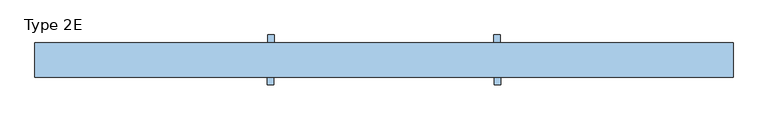
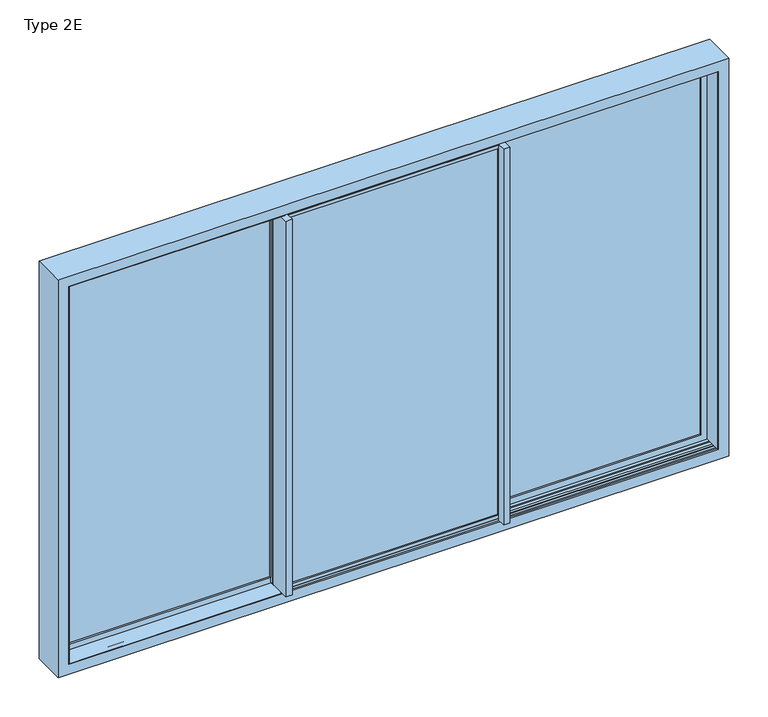
"""IFC4 building model written with IfcOpenShell, lengths in millimetres: window geometry, Type 2E."""

from ifc_helpers import new_model, si_unit, frame, origin, origin_with_axes, place, context, project, spatial, polyline, outline, extrude, faceted_brep, source, transform, mapped, element, save


def type_2e_e87685bd(model_context):
    return source(origin(), model_context, "Body", "SolidModel", [
        extrude(outline(polyline([(2120.2000011, -583.279797), (12.7999989, -583.279797), (12.7999989, 583.279797), (2120.2000011, 583.279797), (2120.2000011, -583.279797)]), holes=[polyline([(2101.4202041, 564.5), (31.5797959, 564.5), (31.5797959, -564.5), (2101.4202041, -564.5), (2101.4202041, 564.5)])]), frame((0.0, -17.0, 0.0), z_axis=(0.0, 1.0, 0.0), x_axis=(0.0, 0.0, 1.0)), (0.0, 0.0, 1.0), 7.7200134),
        faceted_brep([(595.5, -17.0, -15.1996996), (595.5, -14.5, -15.1996996), (595.5, -14.5, 2.7998487), (595.5, 47.5000001, 2.7998487), (595.5, 47.5000001, -15.1996996), (595.5, 50.0, -15.1996996), (595.5, 50.0, 5.8356019), (595.5, 69.4999931, 5.8356019), (595.5, 69.4999931, 2127.2000011), (595.5, 50.0, 2127.2000011), (595.5, 50.0, 2148.1996996), (595.5, 47.5000001, 2148.1996996), (595.5, 47.5000001, 2130.2001513), (595.5, -14.5, 2130.2001513), (595.5, -14.5, 2148.1996996), (595.5, -17.0, 2148.1996996), (-595.5, -17.0, -15.1996996), (-595.5, -14.5, -15.1996996), (-595.5, -14.5, 2.7998487), (-595.5, 47.5000001, 2.7998487), (-595.5, 47.5000001, -15.1996996), (-595.5, 50.0, -15.1996996), (-595.5, 50.0, 2148.1996996), (580.0, 50.0, 2127.2000011), (580.0, 50.0, 5.8356019), (-580.0, 50.0, 5.8356019), (-562.2, 50.0, 5.8356019), (-562.2, 50.0, 31.5797959), (562.2, 50.0, 31.5797959), (562.2, 50.0, 2101.4202041), (-562.2, 50.0, 2101.4202041), (-562.2, 50.0, 2127.2000011), (-580.0, 50.0, 2127.2000011), (580.0, 69.4999931, 5.8356019), (580.0, 69.4999931, 2127.2000011), (-595.5, -17.0, 2148.1996996), (583.279797, -17.0, 12.7999989), (-583.279797, -17.0, 12.7999989), (-583.279797, -17.0, 2120.2000011), (583.279797, -17.0, 2120.2000011), (-595.5, -14.5, 2148.1996996), (-595.5, -14.5, 2130.2001513), (-595.5, 47.5000001, 2130.2001513), (-595.5, 47.5000001, 2148.1996996), (-580.0, 69.4999931, 5.8356019), (-562.2, 69.4999931, 5.8356019), (-580.0, 69.4999931, 2127.2000011), (-562.2, 69.4999931, 2127.2000011), (-562.2, 40.0, 2101.4202041), (-562.2, 40.0, 31.5797959), (562.2, 40.0, 31.5797959), (562.2, 40.0, 2101.4202041), (583.279797, 40.0, 12.7999989), (583.279797, 40.0, 2120.2000011), (-583.279797, 40.0, 2120.2000011), (-583.279797, 40.0, 12.7999989)], [[[0, 1, 2, 3, 4, 5, 6, 7, 8, 9, 10, 11, 12, 13, 14, 15]], [[1, 0, 16, 17]], [[2, 1, 17, 18]], [[3, 2, 18, 19]], [[4, 3, 19, 20]], [[5, 4, 20, 21]], [[5, 21, 22, 10, 9, 23, 24, 6], [25, 26, 27, 28, 29, 30, 31, 32]], [[24, 33, 7, 6]], [[34, 8, 7, 33]], [[35, 16, 0, 15], [36, 37, 38, 39]], [[21, 20, 19, 18, 17, 16, 35, 40, 41, 42, 43, 22]], [[25, 44, 45, 26]], [[46, 47, 45, 44]], [[25, 32, 46, 44]], [[23, 34, 33, 24]], [[45, 47, 31, 30, 48, 49, 27, 26]], [[50, 28, 27, 49]], [[28, 50, 51, 29]], [[52, 53, 54, 55], [51, 50, 49, 48]], [[52, 36, 39, 53]], [[55, 54, 38, 37]], [[36, 52, 55, 37]], [[8, 34, 23, 9]], [[29, 51, 48, 30]], [[54, 53, 39, 38]], [[15, 14, 40, 35]], [[14, 13, 41, 40]], [[13, 12, 42, 41]], [[12, 11, 43, 42]], [[11, 10, 22, 43]], [[47, 46, 32, 31]]]),
        extrude(outline(polyline([(-583.279797, 40.0), (583.279797, 40.0), (583.279797, -9.2799866), (-583.279797, -9.2799866), (-583.279797, 40.0)])), frame((0.0, 0.0, 12.7999989), z_axis=(0.0, 0.0, 1.0), x_axis=(1.0, 0.0, 0.0)), (0.0, 0.0, 1.0), 2107.4000022),
        extrude(outline(polyline([(564.5, -17.0), (595.5, -17.0), (595.5, 69.4999931), (598.5, 69.4999931), (598.5, -66.0000069), (564.5, -66.0000069), (564.5, -17.0)])), frame((0.0, 0.0, 5.8356019), z_axis=(0.0, 0.0, 1.0), x_axis=(1.0, 0.0, 0.0)), (0.0, 0.0, 1.0), 2121.3643992),
        extrude(outline(polyline([(-564.5, -17.0), (-564.5, -66.0000069), (-598.5, -66.0000069), (-598.5, 49.9999931), (-595.5, 49.9999931), (-595.5, -17.0), (-564.5, -17.0)])), frame((0.0, 0.0, 5.8356019), z_axis=(0.0, 0.0, 1.0), x_axis=(1.0, 0.0, 0.0)), (0.0, 0.0, 1.0), 2121.3643992),
        extrude(outline(polyline([(2120.2000011, 576.720203), (12.7999989, 576.720203), (12.7999989, 1717.5000011), (2120.2000011, 1717.5000011), (2120.2000011, 576.720203)]), holes=[polyline([(2101.4202041, 1698.7202041), (31.5797959, 1698.7202041), (31.5797959, 595.5), (2101.4202041, 595.5), (2101.4202041, 1698.7202041)])]), frame((0.0, 132.2799866, 0.0), z_axis=(0.0, 1.0, 0.0), x_axis=(0.0, 0.0, 1.0)), (0.0, 0.0, 1.0), 7.7200134),
        faceted_brep([(1698.7202041, 73.0, 31.5797959), (1698.7202041, 83.0, 31.5797959), (597.8, 83.0, 31.5797959), (597.8, 73.0, 31.5797959), (1717.5000011, 83.0, 12.7999989), (1717.5000011, 140.0, 12.7999989), (576.720203, 140.0, 12.7999989), (576.720203, 83.0, 12.7999989), (564.5, 137.5, -15.1996996), (564.5, 140.0, -15.1996996), (1751.599999, 140.0, -15.1996996), (1751.599999, 73.0, -15.1996996), (564.5, 73.0, -15.1996996), (564.5, 75.4999999, -15.1996996), (1745.4996996, 75.4999999, -15.1996996), (1745.4996996, 137.5, -15.1996996), (564.5, 137.5, 2.7998487), (564.5, 75.4999999, 2.7998487), (564.5, 73.0, 5.8356019), (564.5, 73.0, 2127.2000011), (564.5, 73.0, 2148.1996996), (564.5, 75.4999999, 2148.1996996), (564.5, 75.4999999, 2130.2001513), (564.5, 137.5, 2130.2001513), (564.5, 137.5, 2148.1996996), (564.5, 140.0, 2148.1996996), (1751.599999, 140.0, 2148.1996996), (1717.5000011, 140.0, 2120.2000011), (576.720203, 140.0, 2120.2000011), (1751.599999, 73.0, 2148.1996996), (580.0, 73.0, 2127.2000011), (580.0, 73.0, 5.8356019), (1698.7202041, 73.0, 2101.4202041), (597.8, 73.0, 2101.4202041), (1717.5000011, 83.0, 2120.2000011), (576.720203, 83.0, 2120.2000011), (1698.7202041, 83.0, 2101.4202041), (597.8, 83.0, 2101.4202041), (1745.4996996, 137.5, 2148.1996996), (1727.5001513, 137.5, 2130.2001513), (1727.5001513, 137.5, 2.7998487), (1727.5001513, 75.4999999, 2.7998487), (1727.5001513, 75.4999999, 2130.2001513), (1745.4996996, 75.4999999, 2148.1996996), (580.0, 53.5, 5.8356019), (561.5, 53.5, 5.8356019), (561.5, 73.0, 5.8356019), (561.5, 73.0, 2127.2000011), (561.5, 53.5, 2127.2000011), (580.0, 53.5, 2127.2000011)], [[[0, 1, 2, 3]], [[4, 5, 6, 7]], [[8, 9, 10, 11, 12, 13, 14, 15]], [[9, 8, 16, 17, 13, 12, 18, 19, 20, 21, 22, 23, 24, 25]], [[26, 10, 9, 25], [5, 27, 28, 6]], [[11, 29, 20, 19, 30, 31, 18, 12], [32, 0, 3, 33]], [[34, 4, 7, 35], [1, 36, 37, 2]], [[16, 8, 15, 38, 24, 23, 39, 40]], [[17, 16, 40, 41]], [[13, 17, 41, 42, 22, 21, 43, 14]], [[0, 32, 36, 1]], [[2, 37, 33, 3]], [[11, 10, 26, 29]], [[4, 34, 27, 5]], [[6, 28, 35, 7]], [[15, 14, 43, 38]], [[40, 39, 42, 41]], [[21, 20, 29, 26, 25, 24, 38, 43]], [[23, 22, 42, 39]], [[36, 32, 33, 37]], [[27, 34, 35, 28]], [[31, 44, 45, 46, 18]], [[47, 48, 49, 30, 19]], [[46, 47, 19, 18]], [[30, 49, 44, 31]], [[49, 48, 45, 44]], [[48, 47, 46, 45]]]),
        extrude(outline(polyline([(1717.5000011, 83.0), (576.720203, 83.0), (576.720203, 132.2799866), (1717.5000011, 132.2799866), (1717.5000011, 83.0)])), frame((0.0, 0.0, 12.7999989), z_axis=(0.0, 0.0, 1.0), x_axis=(1.0, 0.0, 0.0)), (0.0, 0.0, 1.0), 2107.4000022),
        extrude(outline(polyline([(595.5, 140.0), (564.5, 140.0), (564.5, 73.0000069), (561.5, 73.0000069), (561.5, 189.0000069), (595.5, 189.0000069), (595.5, 140.0)])), frame((0.0, 0.0, 5.8356019), z_axis=(0.0, 0.0, 1.0), x_axis=(1.0, 0.0, 0.0)), (0.0, 0.0, 1.0), 2121.3643992),
        extrude(outline(polyline([(2120.2000011, -576.720203), (2120.2000011, -1717.5000011), (12.7999989, -1717.5000011), (12.7999989, -576.720203), (2120.2000011, -576.720203)]), holes=[polyline([(2101.4202041, -1698.7202041), (2101.4202041, -595.5), (31.5797959, -595.5), (31.5797959, -1698.7202041), (2101.4202041, -1698.7202041)])]), frame((0.0, 132.2799866, 0.0), z_axis=(0.0, 1.0, 0.0), x_axis=(0.0, 0.0, 1.0)), (0.0, 0.0, 1.0), 7.7200134),
        faceted_brep([(-1698.7202041, 73.0, 31.5797959), (-597.8, 73.0, 31.5797959), (-597.8, 83.0, 31.5797959), (-1698.7202041, 83.0, 31.5797959), (-1717.5000011, 83.0, 12.7999989), (-576.720203, 83.0, 12.7999989), (-576.720203, 140.0, 12.7999989), (-1717.5000011, 140.0, 12.7999989), (-564.5, 137.5, -15.1996996), (-1745.4996996, 137.5, -15.1996996), (-1745.4996996, 75.4999999, -15.1996996), (-564.5, 75.4999999, -15.1996996), (-564.5, 73.0, -15.1996996), (-1751.599999, 73.0, -15.1996996), (-1751.599999, 140.0, -15.1996996), (-564.5, 140.0, -15.1996996), (-564.5, 140.0, 2148.1996996), (-564.5, 137.5, 2148.1996996), (-564.5, 137.5, 2130.2001513), (-564.5, 75.4999999, 2130.2001513), (-564.5, 75.4999999, 2148.1996996), (-564.5, 73.0, 2148.1996996), (-564.5, 75.4999999, 2.7998487), (-564.5, 137.5, 2.7998487), (-1751.599999, 140.0, 2148.1996996), (-576.720203, 140.0, 2120.2000011), (-1717.5000011, 140.0, 2120.2000011), (-1751.599999, 73.0, 2148.1996996), (-1698.7202041, 73.0, 2101.4202041), (-597.8, 73.0, 2101.4202041), (-580.0, 73.0, 2127.2000011), (-580.0, 73.0, 5.8356019), (-597.5, 73.0, 5.8356019), (-597.5, 73.0, 2127.2000011), (-1717.5000011, 83.0, 2120.2000011), (-576.720203, 83.0, 2120.2000011), (-597.8, 83.0, 2101.4202041), (-1698.7202041, 83.0, 2101.4202041), (-1727.5001513, 137.5, 2.7998487), (-1727.5001513, 137.5, 2130.2001513), (-1745.4996996, 137.5, 2148.1996996), (-1727.5001513, 75.4999999, 2.7998487), (-1745.4996996, 75.4999999, 2148.1996996), (-1727.5001513, 75.4999999, 2130.2001513), (-580.0, 53.5, 5.8356019), (-597.5, 53.5, 5.8356019), (-597.5, 53.5, 2127.2000011), (-580.0, 53.5, 2127.2000011)], [[[0, 1, 2, 3]], [[4, 5, 6, 7]], [[8, 9, 10, 11, 12, 13, 14, 15]], [[15, 16, 17, 18, 19, 20, 21, 12, 11, 22, 23, 8]], [[24, 16, 15, 14], [7, 6, 25, 26]], [[13, 12, 21, 27], [28, 29, 1, 0], [30, 31, 32, 33]], [[34, 35, 5, 4], [3, 2, 36, 37]], [[23, 38, 39, 18, 17, 40, 9, 8]], [[22, 41, 38, 23]], [[11, 10, 42, 20, 19, 43, 41, 22]], [[0, 3, 37, 28]], [[2, 1, 29, 36]], [[13, 27, 24, 14]], [[4, 7, 26, 34]], [[6, 5, 35, 25]], [[9, 40, 42, 10]], [[38, 41, 43, 39]], [[20, 42, 40, 17, 16, 24, 27, 21]], [[18, 39, 43, 19]], [[37, 36, 29, 28]], [[26, 25, 35, 34]], [[32, 31, 44, 45]], [[30, 33, 46, 47]], [[33, 32, 45, 46]], [[46, 45, 44, 47]], [[47, 44, 31, 30]]]),
        extrude(outline(polyline([(-1717.5000011, 83.0), (-1717.5000011, 132.2799866), (-576.720203, 132.2799866), (-576.720203, 83.0), (-1717.5000011, 83.0)])), frame((0.0, 0.0, 12.7999989), z_axis=(0.0, 0.0, 1.0), x_axis=(1.0, 0.0, 0.0)), (0.0, 0.0, 1.0), 2107.4000022),
        extrude(outline(polyline([(-595.5, 140.0), (-595.5, 189.0000069), (-561.5, 189.0000069), (-561.5, 73.0000069), (-564.5, 73.0000069), (-564.5, 140.0), (-595.5, 140.0)])), frame((0.0, 0.0, 5.8356019), z_axis=(0.0, 0.0, 1.0), x_axis=(1.0, 0.0, 0.0)), (0.0, 0.0, 1.0), 2121.3643992),
        extrude(outline(polyline([(1733.0, 69.5), (1733.0, 53.5), (1763.5, 53.5), (1763.5, 44.65), (1733.0, 44.65), (1733.0, -11.65), (1763.5, -11.65), (1763.5, -20.5), (1733.0, -20.5), (1733.0, -27.0), (1731.3, -27.0), (1731.3, 69.5), (1733.0, 69.5)])), origin_with_axes(), (0.0, 0.0, 1.0), 2133.2),
        faceted_brep([(-580.0, 69.5, 0.0), (-580.0, 69.5, 1.7), (-580.0, -27.0, 1.7), (-580.0, -27.0, 0.0), (-580.0, -20.5, 0.0), (-580.0, -20.5, -30.5), (-580.0, -11.65, -30.5), (-580.0, -11.65, 0.0), (-580.0, 44.65, 0.0), (-580.0, 44.65, -30.5), (-580.0, 53.5, -30.5), (-580.0, 53.5, 0.0), (-580.0, 69.5, 2133.0), (-580.0, 69.5, 2131.3), (-1731.3, 69.5, 2131.3), (-1731.3, 69.5, 1.7), (-1733.0, 69.5, 0.0), (-1733.0, 69.5, 2133.0), (-1731.3, -27.0, 1.7), (-580.0, -27.0, 2131.3), (-580.0, -27.0, 2133.0), (-1733.0, -27.0, 2133.0), (-1733.0, -27.0, 0.0), (-1731.3, -27.0, 2131.3), (-1733.0, -20.5, 0.0), (-580.0, -20.5, 2133.0), (-580.0, -20.5, 2163.5), (-1763.5, -20.5, 2163.5), (-1763.5, -20.5, -30.5), (-1733.0, -20.5, 2133.0), (-1763.5, -11.65, -30.5), (-580.0, -11.65, 2163.5), (-580.0, -11.65, 2133.0), (-1733.0, -11.65, 2133.0), (-1733.0, -11.65, 0.0), (-1763.5, -11.65, 2163.5), (-1733.0, 44.65, 0.0), (-580.0, 44.65, 2133.0), (-580.0, 44.65, 2163.5), (-1763.5, 44.65, 2163.5), (-1763.5, 44.65, -30.5), (-1733.0, 44.65, 2133.0), (-1763.5, 53.5, -30.5), (-580.0, 53.5, 2163.5), (-580.0, 53.5, 2133.0), (-1733.0, 53.5, 2133.0), (-1733.0, 53.5, 0.0), (-1763.5, 53.5, 2163.5)], [[[0, 1, 2, 3, 4, 5, 6, 7, 8, 9, 10, 11]], [[12, 13, 14, 15, 1, 0, 16, 17]], [[15, 18, 2, 1]], [[19, 20, 21, 22, 3, 2, 18, 23]], [[22, 24, 4, 3]], [[25, 26, 27, 28, 5, 4, 24, 29]], [[28, 30, 6, 5]], [[31, 32, 33, 34, 7, 6, 30, 35]], [[34, 36, 8, 7]], [[37, 38, 39, 40, 9, 8, 36, 41]], [[40, 42, 10, 9]], [[43, 44, 45, 46, 11, 10, 42, 47]], [[46, 16, 0, 11]], [[45, 17, 16, 46]], [[39, 47, 42, 40]], [[33, 41, 36, 34]], [[27, 35, 30, 28]], [[21, 29, 24, 22]], [[14, 23, 18, 15]], [[12, 44, 43, 38, 37, 32, 31, 26, 25, 20, 19, 13]], [[44, 12, 17, 45]], [[38, 43, 47, 39]], [[32, 37, 41, 33]], [[26, 31, 35, 27]], [[20, 25, 29, 21]], [[13, 19, 23, 14]]]),
        faceted_brep([(-1790.0, -27.0, 2190.0), (-1790.0, 150.0, 2190.0), (-1790.0, 150.0, -57.0), (-1790.0, -27.0, -57.0), (1790.0, 150.0, -57.0), (1790.0, -27.0, -57.0), (1790.0, 150.0, 2190.0), (1733.0, 150.0, 0.0), (1733.0, 150.0, 2133.0), (-1733.0, 150.0, 2133.0), (-1733.0, 150.0, 0.0), (1790.0, -27.0, 2190.0), (-1733.0, -27.0, 0.0), (-1733.0, -27.0, 2133.0), (1733.0, -27.0, 2133.0), (1733.0, -27.0, 0.0), (-1733.0, -20.5, 2133.0), (-1733.0, -20.5, 0.0), (1733.0, -20.5, 0.0), (1733.0, -20.5, 2133.0), (-1763.5, -20.5, -30.5), (-1763.5, -20.5, 2163.5), (1763.5, -20.5, 2163.5), (1763.5, -20.5, -30.5), (-1763.5, 53.5, 2163.5), (-1763.5, 53.5, -30.5), (1763.5, 53.5, -30.5), (1763.5, 53.5, 2163.5), (-1733.0, 53.5, 0.0), (-1733.0, 53.5, 2133.0), (1733.0, 53.5, 2133.0), (1733.0, 53.5, 0.0), (-1733.0, 69.5, 2133.0), (-1733.0, 69.5, 0.0), (1733.0, 69.5, 0.0), (1733.0, 69.5, 2133.0), (-1763.5, 69.5, -30.5), (-1763.5, 69.5, 2163.5), (1763.5, 69.5, 2163.5), (1763.5, 69.5, -30.5), (-1763.5, 143.5, 2163.5), (-1763.5, 143.5, -30.5), (1763.5, 143.5, -30.5), (1763.5, 143.5, 2163.5), (-1733.0, 143.5, 0.0), (-1733.0, 143.5, 2133.0), (1733.0, 143.5, 2133.0), (1733.0, 143.5, 0.0)], [[[0, 1, 2, 3]], [[3, 2, 4, 5]], [[2, 1, 6, 4], [7, 8, 9, 10]], [[5, 4, 6, 11]], [[5, 11, 0, 3], [12, 13, 14, 15]], [[16, 13, 12, 17]], [[17, 12, 15, 18]], [[18, 15, 14, 19]], [[20, 21, 22, 23], [18, 19, 16, 17]], [[24, 21, 20, 25]], [[25, 20, 23, 26]], [[26, 23, 22, 27]], [[26, 27, 24, 25], [28, 29, 30, 31]], [[32, 29, 28, 33]], [[33, 28, 31, 34]], [[34, 31, 30, 35]], [[36, 37, 38, 39], [34, 35, 32, 33]], [[40, 37, 36, 41]], [[41, 36, 39, 42]], [[42, 39, 38, 43]], [[42, 43, 40, 41], [44, 45, 46, 47]], [[9, 45, 44, 10]], [[10, 44, 47, 7]], [[7, 47, 46, 8]], [[11, 6, 1, 0]], [[19, 14, 13, 16]], [[27, 22, 21, 24]], [[35, 30, 29, 32]], [[43, 38, 37, 40]], [[8, 46, 45, 9]]]),
        extrude(outline(polyline([(80.0, -30.5), (80.0, -0.2), (96.2954822, -0.2), (106.5, -4.9584448), (116.7045178, -0.2), (133.0, -0.2), (133.0, -30.5), (80.0, -30.5)])), frame((-1763.5, 0.0, 0.0), z_axis=(1.0, 0.0, 0.0), x_axis=(0.0, 1.0, 0.0)), (0.0, 0.0, 1.0), 3527.0),
        extrude(outline(polyline([(43.0, -30.5), (-10.0, -30.5), (-10.0, -0.2), (6.2954822, -0.2), (16.5, -4.9584448), (26.7045178, -0.2), (43.0, -0.2), (43.0, -30.5)])), frame((-1763.5, 0.0, 0.0), z_axis=(1.0, 0.0, 0.0), x_axis=(0.0, 1.0, 0.0)), (0.0, 0.0, 1.0), 3527.0),
    ])


if __name__ == "__main__":
    model = new_model("IFC4")
    model_context = context("Model", 3, world=origin())
    ifc_project = project(units=[si_unit("LENGTHUNIT", "METRE", prefix="MILLI")], contexts=[model_context])
    site = spatial("IfcSite", under=ifc_project)
    building = spatial("IfcBuilding", under=site)
    placement = place(None, origin())
    type_2e_shape = type_2e_e87685bd(model_context)
    element("IfcWindow", 1, ObjectType="Type 2E", at=placement, inside=building, context=model_context, shape_type="MappedRepresentation", body=[
        mapped(type_2e_shape, transform((0.0, 0.0, 0.0), x_axis=(1.0, 0.0, 0.0), y_axis=(0.0, 1.0, 0.0), z_axis=(0.0, 0.0, 1.0))),
    ])
    save(model, "model.ifc")
